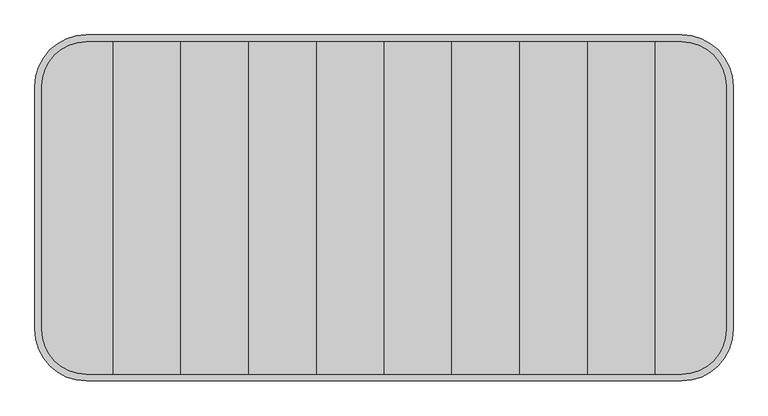
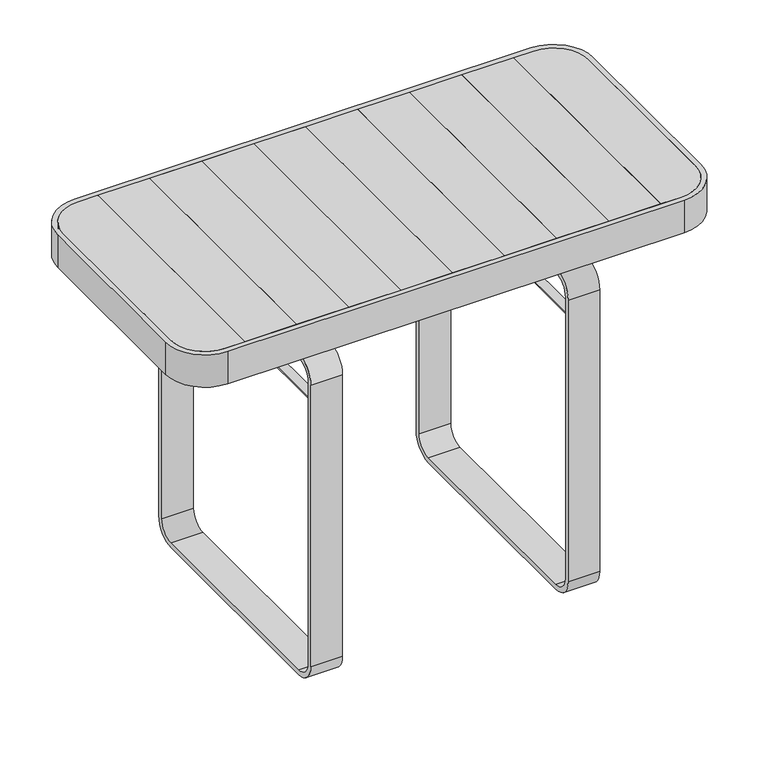
"""IFC4 building model written with IfcOpenShell, lengths in millimetres: furniture geometry."""

from ifc_helpers import new_model, si_unit, point, frame, frame_2d, origin, origin_with_axes, place, context, project, spatial, polyline, circle_curve, trimmed, segment, composite_curve, outline, extrude, source, transform, mapped, element, save
from ifc_brep_helpers import plane_surface, cylinder_surface, advanced_brep


def furniture_64894c4b(model_context):
    return source(origin(), model_context, "Body", "SolidModel", [
        extrude(outline(composite_curve([segment(polyline([(498.4574582, 177.0), (498.4574582, -177.0)]), True, "CONTINUOUS"), segment(trimmed(circle_curve(frame_2d((433.4574582, -177.0)), 65.0), [point((498.4574582, -177.0))], [point((433.4574582, -242.0))], False, "CARTESIAN"), True, "CONTINUOUS"), segment(polyline([(433.4574582, -242.0), (394.8, -242.0), (394.8, 242.0), (433.4574582, 242.0)]), True, "CONTINUOUS"), segment(trimmed(circle_curve(frame_2d((433.4574582, 177.0)), 65.0), [point((433.4574582, 242.0))], [point((498.4574582, 177.0))], False, "CARTESIAN"), True, "CONTINUOUS")], self_intersect=False)), frame((0.0, 0.0, 712.0), z_axis=(0.0, 0.0, 1.0), x_axis=(1.0, 0.0, 0.0)), (0.0, 0.0, 1.0), 28.0),
        extrude(outline(polyline([(296.1, -242.0), (197.4, -242.0), (197.4, 242.0), (296.1, 242.0), (296.1, -242.0)])), frame((0.0, 0.0, 712.0), z_axis=(0.0, 0.0, 1.0), x_axis=(1.0, 0.0, 0.0)), (0.0, 0.0, 1.0), 28.0),
        extrude(outline(polyline([(197.4, -242.0), (98.7, -242.0), (98.7, 242.0), (197.4, 242.0), (197.4, -242.0)])), frame((0.0, 0.0, 712.0), z_axis=(0.0, 0.0, 1.0), x_axis=(1.0, 0.0, 0.0)), (0.0, 0.0, 1.0), 28.0),
        extrude(outline(polyline([(98.7, -242.0), (0.0, -242.0), (0.0, 242.0), (98.7, 242.0), (98.7, -242.0)])), frame((0.0, 0.0, 712.0), z_axis=(0.0, 0.0, 1.0), x_axis=(1.0, 0.0, 0.0)), (0.0, 0.0, 1.0), 28.0),
        extrude(outline(polyline([(394.8, -242.0), (296.1, -242.0), (296.1, 242.0), (394.8, 242.0), (394.8, -242.0)])), frame((0.0, 0.0, 712.0), z_axis=(0.0, 0.0, 1.0), x_axis=(1.0, 0.0, 0.0)), (0.0, 0.0, 1.0), 28.0),
        extrude(outline(composite_curve([segment(trimmed(circle_curve(frame_2d((-433.4574582, 177.0)), 65.0), [point((-498.4574582, 177.0))], [point((-433.4574582, 242.0))], False, "CARTESIAN"), True, "CONTINUOUS"), segment(polyline([(-433.4574582, 242.0), (-394.8, 242.0), (-394.8, -242.0), (-433.4574582, -242.0)]), True, "CONTINUOUS"), segment(trimmed(circle_curve(frame_2d((-433.4574582, -177.0)), 65.0), [point((-433.4574582, -242.0))], [point((-498.4574582, -177.0))], False, "CARTESIAN"), True, "CONTINUOUS"), segment(polyline([(-498.4574582, -177.0), (-498.4574582, 177.0)]), True, "CONTINUOUS")], self_intersect=False)), frame((0.0, 0.0, 712.0), z_axis=(0.0, 0.0, 1.0), x_axis=(1.0, 0.0, 0.0)), (0.0, 0.0, 1.0), 28.0),
        extrude(outline(polyline([(-197.4, -242.0), (-296.1, -242.0), (-296.1, 242.0), (-197.4, 242.0), (-197.4, -242.0)])), frame((0.0, 0.0, 712.0), z_axis=(0.0, 0.0, 1.0), x_axis=(1.0, 0.0, 0.0)), (0.0, 0.0, 1.0), 28.0),
        extrude(outline(polyline([(-98.7, -242.0), (-197.4, -242.0), (-197.4, 242.0), (-98.7, 242.0), (-98.7, -242.0)])), frame((0.0, 0.0, 712.0), z_axis=(0.0, 0.0, 1.0), x_axis=(1.0, 0.0, 0.0)), (0.0, 0.0, 1.0), 28.0),
        extrude(outline(polyline([(0.0, -242.0), (-98.7, -242.0), (-98.7, 242.0), (0.0, 242.0), (0.0, -242.0)])), frame((0.0, 0.0, 712.0), z_axis=(0.0, 0.0, 1.0), x_axis=(1.0, 0.0, 0.0)), (0.0, 0.0, 1.0), 28.0),
        extrude(outline(polyline([(-296.1, -242.0), (-394.8, -242.0), (-394.8, 242.0), (-296.1, 242.0), (-296.1, -242.0)])), frame((0.0, 0.0, 712.0), z_axis=(0.0, 0.0, 1.0), x_axis=(1.0, 0.0, 0.0)), (0.0, 0.0, 1.0), 28.0),
        advanced_brep(
        [(-498.4574582, 177.0, 708.0), (-433.4574582, 242.0, 708.0), (433.4574582, 242.0, 708.0), (498.4574582, 177.0, 708.0), (498.4574582, -177.0, 708.0), (433.4574582, -242.0, 708.0), (-433.4574582, -242.0, 708.0), (-498.4574582, -177.0, 708.0), (-284.75, -142.0, 708.0), (-284.75, 142.0, 708.0), (-399.8, 141.9868511, 708.0), (-399.8, -142.0, 708.0), (-203.7333261, 142.0, 708.0), (-203.7333261, -142.0, 708.0), (203.7333261, -142.0, 708.0), (203.7333261, 142.0, 708.0), (399.8, 141.9868511, 708.0), (284.75, 141.9893576, 708.0), (284.75, -142.0, 708.0), (399.8, -142.0, 708.0), (-284.75, -142.0, 712.0), (-284.75, 142.0, 712.0), (-498.4574582, 177.0, 712.0), (-498.4574582, -177.0, 712.0), (-433.4574582, -242.0, 712.0), (433.4574582, -242.0, 712.0), (498.4574582, -177.0, 712.0), (498.4574582, 177.0, 712.0), (433.4574582, 242.0, 712.0), (-433.4574582, 242.0, 712.0), (-399.8, -142.0, 712.0), (-399.8, 141.9868511, 712.0), (-203.7333261, -142.0, 712.0), (-203.7333261, 142.0, 712.0), (203.7333261, 141.9911227, 712.0), (203.7333261, -142.0, 712.0), (399.8, -142.0, 712.0), (284.75, -142.0, 712.0), (284.75, 142.0, 712.0), (399.8, 141.9868511, 712.0)],
        [
            (0, 1, circle_curve(frame((-433.4574582, 177.0, 708.0), z_axis=(0.0, 0.0, -1.0), x_axis=(1.0, 0.0, 0.0)), 65.0)),
            (1, 2),
            (2, 3, circle_curve(frame((433.4574582, 177.0, 708.0), z_axis=(0.0, 0.0, -1.0), x_axis=(-1.0, 0.0, 0.0)), 65.0)),
            (3, 4),
            (4, 5, circle_curve(frame((433.4574582, -177.0, 708.0), z_axis=(0.0, 0.0, -1.0), x_axis=(-1.0, 0.0, 0.0)), 65.0)),
            (5, 6),
            (6, 7, circle_curve(frame((-433.4574582, -177.0, 708.0), z_axis=(0.0, 0.0, -1.0), x_axis=(1.0, 0.0, 0.0)), 65.0)),
            (7, 0),
            (8, 9),
            (9, 10),
            (10, 11),
            (11, 8),
            (12, 13),
            (13, 14),
            (14, 15),
            (15, 12),
            (16, 17),
            (17, 18),
            (18, 19),
            (19, 16),
            (8, 20),
            (20, 21),
            (21, 9),
            (22, 23),
            (23, 24, circle_curve(frame((-433.4574582, -177.0, 712.0), z_axis=(0.0, 0.0, 1.0), x_axis=(1.0, 0.0, 0.0)), 65.0)),
            (24, 25),
            (25, 26, circle_curve(frame((433.4574582, -177.0, 712.0), z_axis=(0.0, 0.0, 1.0), x_axis=(-1.0, 0.0, 0.0)), 65.0)),
            (26, 27),
            (27, 28, circle_curve(frame((433.4574582, 177.0, 712.0), z_axis=(0.0, 0.0, 1.0), x_axis=(-1.0, 0.0, 0.0)), 65.0)),
            (28, 29),
            (29, 22, circle_curve(frame((-433.4574582, 177.0, 712.0), z_axis=(0.0, 0.0, 1.0), x_axis=(1.0, 0.0, 0.0)), 65.0)),
            (20, 30),
            (30, 31),
            (31, 21),
            (32, 33),
            (33, 34),
            (34, 35),
            (35, 32),
            (36, 37),
            (37, 38),
            (38, 39),
            (39, 36),
            (12, 33),
            (32, 13),
            (22, 0),
            (7, 23),
            (6, 24),
            (5, 25),
            (4, 26),
            (3, 27),
            (2, 28),
            (1, 29),
            (15, 34),
            (31, 10),
            (16, 39),
            (38, 17),
            (19, 36),
            (35, 14),
            (18, 37),
            (11, 30),
        ],
        [
            plane_surface(frame((-284.75, -142.0, 708.0), z_axis=(0.0, 0.0, -1.0), x_axis=(0.0, 1.0, 0.0))),
            plane_surface(frame((-284.75, -142.0, 712.0), z_axis=(-1.0, 0.0, 0.0), x_axis=(0.0, 1.0, 0.0))),
            plane_surface(frame((-203.7333261, -142.0, 712.0), z_axis=(0.0, 0.0, 1.0), x_axis=(0.0, 1.0, 0.0))),
            plane_surface(frame((-203.7333261, -142.0, 708.0), z_axis=(1.0, 0.0, 0.0), x_axis=(0.0, 1.0, 0.0))),
            plane_surface(frame((-498.4574582, 177.0, 712.0), z_axis=(-1.0, 0.0, 0.0), x_axis=(0.0, 0.0, -1.0))),
            cylinder_surface(frame((-433.4574582, -177.0, 708.0), z_axis=(0.0, 0.0, 1.0), x_axis=(1.0, 0.0, 0.0)), 65.0),
            plane_surface(frame((-433.4574582, -242.0, 712.0), z_axis=(0.0, -1.0, 0.0), x_axis=(0.0, 0.0, -1.0))),
            cylinder_surface(frame((433.4574582, -177.0, 708.0), z_axis=(0.0, 0.0, 1.0), x_axis=(-1.0, 0.0, 0.0)), 65.0),
            plane_surface(frame((498.4574582, -177.0, 712.0), z_axis=(1.0, 0.0, 0.0), x_axis=(0.0, 0.0, -1.0))),
            cylinder_surface(frame((433.4574582, 177.0, 708.0), z_axis=(0.0, 0.0, 1.0), x_axis=(-1.0, 0.0, 0.0)), 65.0),
            plane_surface(frame((433.4574582, 242.0, 712.0), z_axis=(0.0, 1.0, 0.0), x_axis=(0.0, 0.0, -1.0))),
            cylinder_surface(frame((-433.4574582, 177.0, 708.0), z_axis=(0.0, 0.0, 1.0), x_axis=(1.0, 0.0, 0.0)), 65.0),
            plane_surface(frame((-399.8, 141.9868511, 712.0), z_axis=(0.0, -1.0, 0.0), x_axis=(0.0, 0.0, -1.0))),
            plane_surface(frame((399.8, 141.9868511, 712.0), z_axis=(-1.0, 0.0, 0.0), x_axis=(0.0, 0.0, -1.0))),
            plane_surface(frame((399.8, -142.0, 712.0), z_axis=(0.0, 1.0, 0.0), x_axis=(0.0, 0.0, -1.0))),
            plane_surface(frame((-399.8, -142.0, 712.0), z_axis=(1.0, 0.0, 0.0), x_axis=(0.0, 0.0, -1.0))),
            plane_surface(frame((284.75, -142.0, 708.0), z_axis=(1.0, 0.0, 0.0), x_axis=(0.0, 1.0, 0.0))),
            plane_surface(frame((203.7333261, -142.0, 712.0), z_axis=(-1.0, 0.0, 0.0), x_axis=(0.0, 1.0, 0.0))),
        ],
        [
            (0, [[1, 2, 3, 4, 5, 6, 7, 8], [9, 10, 11, 12], [13, 14, 15, 16], [17, 18, 19, 20]]),
            (1, [[-9, 21, 22, 23]]),
            (2, [[24, 25, 26, 27, 28, 29, 30, 31], [-22, 32, 33, 34], [35, 36, 37, 38], [39, 40, 41, 42]]),
            (3, [[-13, 43, -35, 44]]),
            (4, [[-24, 45, -8, 46]]),
            (5, [[-25, -46, -7, 47]]),
            (6, [[-26, -47, -6, 48]]),
            (7, [[-27, -48, -5, 49]]),
            (8, [[-28, -49, -4, 50]]),
            (9, [[-29, -50, -3, 51]]),
            (10, [[-30, -51, -2, 52]]),
            (11, [[-31, -52, -1, -45]]),
            (12, [[-43, -16, 53, -36]]),
            (12, [[54, -10, -23, -34]]),
            (12, [[55, -41, 56, -17]]),
            (13, [[-42, -55, -20, 57]]),
            (14, [[-44, -38, 58, -14]]),
            (14, [[-57, -19, 59, -39]]),
            (14, [[60, -32, -21, -12]]),
            (15, [[-33, -60, -11, -54]]),
            (16, [[-18, -56, -40, -59]]),
            (17, [[-15, -58, -37, -53]]),
        ],
    ),
        extrude(outline(composite_curve([segment(polyline([(250.0000534, 614.9997207), (250.0000534, 49.9997207)]), True, "CONTINUOUS"), segment(trimmed(circle_curve(frame_2d((210.0000534, 49.9997207)), 40.0), [point((250.0000534, 49.9997207))], [point((210.0000534, 9.9997207))], False, "CARTESIAN"), True, "CONTINUOUS"), segment(polyline([(210.0000534, 9.9997207), (-210.0000534, 9.9997207)]), True, "CONTINUOUS"), segment(trimmed(circle_curve(frame_2d((-210.0000534, 49.9997207)), 40.0), [point((-210.0000534, 9.9997207))], [point((-250.0000534, 49.9997207))], False, "CARTESIAN"), True, "CONTINUOUS"), segment(polyline([(-250.0000534, 49.9997207), (-250.0000534, 614.9997207)]), True, "CONTINUOUS"), segment(trimmed(circle_curve(frame_2d((-210.0000534, 614.9997207)), 40.0), [point((-250.0000534, 614.9997207))], [point((-210.0000534, 654.9997207))], False, "CARTESIAN"), True, "CONTINUOUS"), segment(polyline([(-210.0000534, 654.9997207), (-117.9984649, 654.9997207), (-117.9984649, 708.0), (117.9984649, 708.0), (117.9984649, 654.9997207), (210.0000534, 654.9997207)]), True, "CONTINUOUS"), segment(trimmed(circle_curve(frame_2d((210.0000534, 614.9997207)), 40.0), [point((210.0000534, 654.9997207))], [point((250.0000534, 614.9997207))], False, "CARTESIAN"), True, "CONTINUOUS")], self_intersect=False), holes=[composite_curve([segment(polyline([(-240.0000534, 614.9997207), (-240.0000534, 49.9997207)]), True, "CONTINUOUS"), segment(trimmed(circle_curve(frame_2d((-210.0000534, 49.9997207)), 30.0), [point((-240.0000534, 49.9997207))], [point((-210.0000534, 19.9997207))], True, "CARTESIAN"), True, "CONTINUOUS"), segment(polyline([(-210.0000534, 19.9997207), (210.0000534, 19.9997207)]), True, "CONTINUOUS"), segment(trimmed(circle_curve(frame_2d((210.0000534, 49.9997207)), 30.0), [point((210.0000534, 19.9997207))], [point((240.0000534, 49.9997207))], True, "CARTESIAN"), True, "CONTINUOUS"), segment(polyline([(240.0000534, 49.9997207), (240.0000534, 614.9997207)]), True, "CONTINUOUS"), segment(trimmed(circle_curve(frame_2d((210.0000534, 614.9997207)), 30.0), [point((240.0000534, 614.9997207))], [point((210.0000534, 644.9997207))], True, "CARTESIAN"), True, "CONTINUOUS"), segment(polyline([(210.0000534, 644.9997207), (-210.0000534, 644.9997207)]), True, "CONTINUOUS"), segment(trimmed(circle_curve(frame_2d((-210.0000534, 614.9997207)), 30.0), [point((-210.0000534, 644.9997207))], [point((-240.0000534, 614.9997207))], True, "CARTESIAN"), True, "CONTINUOUS")], self_intersect=False), polyline([(-112.9984649, 654.9997207), (112.9984649, 654.9997207), (112.9984649, 703.0), (-112.9984649, 703.0), (-112.9984649, 654.9997207)])]), frame((214.2500379, 0.0, 0.0), z_axis=(1.0, 0.0, 0.0), x_axis=(0.0, 1.0, 0.0)), (0.0, 0.0, 1.0), 60.0),
        extrude(outline(composite_curve([segment(polyline([(250.0000534, 614.9997207), (250.0000534, 49.9997207)]), True, "CONTINUOUS"), segment(trimmed(circle_curve(frame_2d((210.0000534, 49.9997207)), 40.0), [point((250.0000534, 49.9997207))], [point((210.0000534, 9.9997207))], False, "CARTESIAN"), True, "CONTINUOUS"), segment(polyline([(210.0000534, 9.9997207), (-210.0000534, 9.9997207)]), True, "CONTINUOUS"), segment(trimmed(circle_curve(frame_2d((-210.0000534, 49.9997207)), 40.0), [point((-210.0000534, 9.9997207))], [point((-250.0000534, 49.9997207))], False, "CARTESIAN"), True, "CONTINUOUS"), segment(polyline([(-250.0000534, 49.9997207), (-250.0000534, 614.9997207)]), True, "CONTINUOUS"), segment(trimmed(circle_curve(frame_2d((-210.0000534, 614.9997207)), 40.0), [point((-250.0000534, 614.9997207))], [point((-210.0000534, 654.9997207))], False, "CARTESIAN"), True, "CONTINUOUS"), segment(polyline([(-210.0000534, 654.9997207), (-117.9984649, 654.9997207), (-117.9984649, 708.0), (117.9984649, 708.0), (117.9984649, 654.9997207), (210.0000534, 654.9997207)]), True, "CONTINUOUS"), segment(trimmed(circle_curve(frame_2d((210.0000534, 614.9997207)), 40.0), [point((210.0000534, 654.9997207))], [point((250.0000534, 614.9997207))], False, "CARTESIAN"), True, "CONTINUOUS")], self_intersect=False), holes=[composite_curve([segment(polyline([(-240.0000534, 614.9997207), (-240.0000534, 49.9997207)]), True, "CONTINUOUS"), segment(trimmed(circle_curve(frame_2d((-210.0000534, 49.9997207)), 30.0), [point((-240.0000534, 49.9997207))], [point((-210.0000534, 19.9997207))], True, "CARTESIAN"), True, "CONTINUOUS"), segment(polyline([(-210.0000534, 19.9997207), (210.0000534, 19.9997207)]), True, "CONTINUOUS"), segment(trimmed(circle_curve(frame_2d((210.0000534, 49.9997207)), 30.0), [point((210.0000534, 19.9997207))], [point((240.0000534, 49.9997207))], True, "CARTESIAN"), True, "CONTINUOUS"), segment(polyline([(240.0000534, 49.9997207), (240.0000534, 614.9997207)]), True, "CONTINUOUS"), segment(trimmed(circle_curve(frame_2d((210.0000534, 614.9997207)), 30.0), [point((240.0000534, 614.9997207))], [point((210.0000534, 644.9997207))], True, "CARTESIAN"), True, "CONTINUOUS"), segment(polyline([(210.0000534, 644.9997207), (-210.0000534, 644.9997207)]), True, "CONTINUOUS"), segment(trimmed(circle_curve(frame_2d((-210.0000534, 614.9997207)), 30.0), [point((-210.0000534, 644.9997207))], [point((-240.0000534, 614.9997207))], True, "CARTESIAN"), True, "CONTINUOUS")], self_intersect=False), polyline([(-112.9984649, 654.9997207), (112.9984649, 654.9997207), (112.9984649, 703.0), (-112.9984649, 703.0), (-112.9984649, 654.9997207)])]), frame((-274.2500379, 0.0, 0.0), z_axis=(1.0, 0.0, 0.0), x_axis=(0.0, 1.0, 0.0)), (0.0, 0.0, 1.0), 60.0),
        extrude(outline(composite_curve([segment(trimmed(circle_curve(frame_2d((554.9849499, -244.2069785)), 8.0), [point((554.9849499, -252.2069785))], [point((554.9849499, -236.2069785))], False, "CARTESIAN"), True, "CONTINUOUS"), segment(trimmed(circle_curve(frame_2d((554.9849499, -244.2069785)), 8.0), [point((554.9849499, -236.2069785))], [point((554.9849499, -252.2069785))], False, "CARTESIAN"), True, "CONTINUOUS")], self_intersect=False)), frame((0.0, -240.0000534, 0.0), z_axis=(0.0, 1.0, 0.0), x_axis=(0.0, 0.0, 1.0)), (0.0, 0.0, 1.0), 480.0001069),
        extrude(outline(composite_curve([segment(trimmed(circle_curve(frame_2d((554.9849499, 244.2069785)), 8.0), [point((554.9849499, 252.2069785))], [point((554.9849499, 236.2069785))], False, "CARTESIAN"), True, "CONTINUOUS"), segment(trimmed(circle_curve(frame_2d((554.9849499, 244.2069785)), 8.0), [point((554.9849499, 236.2069785))], [point((554.9849499, 252.2069785))], False, "CARTESIAN"), True, "CONTINUOUS")], self_intersect=False)), frame((0.0, -240.0000534, 0.0), z_axis=(0.0, 1.0, 0.0), x_axis=(0.0, 0.0, 1.0)), (0.0, 0.0, 1.0), 480.0001069),
        extrude(outline(composite_curve([segment(polyline([(508.4574582, 177.0), (508.4574582, -177.0)]), True, "CONTINUOUS"), segment(trimmed(circle_curve(frame_2d((433.4574582, -177.0)), 75.0), [point((508.4574582, -177.0))], [point((433.4574582, -252.0))], False, "CARTESIAN"), True, "CONTINUOUS"), segment(polyline([(433.4574582, -252.0), (-433.4574582, -252.0)]), True, "CONTINUOUS"), segment(trimmed(circle_curve(frame_2d((-433.4574582, -177.0)), 75.0), [point((-433.4574582, -252.0))], [point((-508.4574582, -177.0))], False, "CARTESIAN"), True, "CONTINUOUS"), segment(polyline([(-508.4574582, -177.0), (-508.4574582, 177.0)]), True, "CONTINUOUS"), segment(trimmed(circle_curve(frame_2d((-433.4574582, 177.0)), 75.0), [point((-508.4574582, 177.0))], [point((-433.4574582, 252.0))], False, "CARTESIAN"), True, "CONTINUOUS"), segment(polyline([(-433.4574582, 252.0), (433.4574582, 252.0)]), True, "CONTINUOUS"), segment(trimmed(circle_curve(frame_2d((433.4574582, 177.0)), 75.0), [point((433.4574582, 252.0))], [point((508.4574582, 177.0))], False, "CARTESIAN"), True, "CONTINUOUS")], self_intersect=False), holes=[composite_curve([segment(trimmed(circle_curve(frame_2d((-433.4574582, 177.0)), 65.0), [point((-433.4574582, 242.0))], [point((-498.4574582, 177.0))], True, "CARTESIAN"), True, "CONTINUOUS"), segment(polyline([(-498.4574582, 177.0), (-498.4574582, -177.0)]), True, "CONTINUOUS"), segment(trimmed(circle_curve(frame_2d((-433.4574582, -177.0)), 65.0), [point((-498.4574582, -177.0))], [point((-433.4574582, -242.0))], True, "CARTESIAN"), True, "CONTINUOUS"), segment(polyline([(-433.4574582, -242.0), (433.4574582, -242.0)]), True, "CONTINUOUS"), segment(trimmed(circle_curve(frame_2d((433.4574582, -177.0)), 65.0), [point((433.4574582, -242.0))], [point((498.4574582, -177.0))], True, "CARTESIAN"), True, "CONTINUOUS"), segment(polyline([(498.4574582, -177.0), (498.4574582, 177.0)]), True, "CONTINUOUS"), segment(trimmed(circle_curve(frame_2d((433.4574582, 177.0)), 65.0), [point((498.4574582, 177.0))], [point((433.4574582, 242.0))], True, "CARTESIAN"), True, "CONTINUOUS"), segment(polyline([(433.4574582, 242.0), (-433.4574582, 242.0)]), True, "CONTINUOUS")], self_intersect=False)]), frame((0.0, 0.0, 675.0000413), z_axis=(0.0, 0.0, 1.0), x_axis=(1.0, 0.0, 0.0)), (0.0, 0.0, 1.0), 64.9999587),
        extrude(outline(composite_curve([segment(trimmed(circle_curve(frame_2d((-244.2214692, -190.018381)), 15.0), [point((-259.2214692, -190.018381))], [point((-229.2214692, -190.018381))], False, "CARTESIAN"), True, "CONTINUOUS"), segment(trimmed(circle_curve(frame_2d((-244.2214692, -190.018381)), 15.0), [point((-229.2214692, -190.018381))], [point((-259.2214692, -190.018381))], False, "CARTESIAN"), True, "CONTINUOUS")], self_intersect=False)), origin_with_axes(), (0.0, 0.0, 1.0), 10.0),
        extrude(outline(composite_curve([segment(trimmed(circle_curve(frame_2d((-244.2214692, 190.018381)), 15.0), [point((-259.2214692, 190.018381))], [point((-229.2214692, 190.018381))], False, "CARTESIAN"), True, "CONTINUOUS"), segment(trimmed(circle_curve(frame_2d((-244.2214692, 190.018381)), 15.0), [point((-229.2214692, 190.018381))], [point((-259.2214692, 190.018381))], False, "CARTESIAN"), True, "CONTINUOUS")], self_intersect=False)), origin_with_axes(), (0.0, 0.0, 1.0), 10.0),
        extrude(outline(composite_curve([segment(trimmed(circle_curve(frame_2d((244.2214692, -190.018381)), 15.0), [point((259.2214692, -190.018381))], [point((229.2214692, -190.018381))], False, "CARTESIAN"), True, "CONTINUOUS"), segment(trimmed(circle_curve(frame_2d((244.2214692, -190.018381)), 15.0), [point((229.2214692, -190.018381))], [point((259.2214692, -190.018381))], False, "CARTESIAN"), True, "CONTINUOUS")], self_intersect=False)), origin_with_axes(), (0.0, 0.0, 1.0), 10.0),
        extrude(outline(composite_curve([segment(trimmed(circle_curve(frame_2d((244.2214692, 190.018381)), 15.0), [point((259.2214692, 190.018381))], [point((229.2214692, 190.018381))], False, "CARTESIAN"), True, "CONTINUOUS"), segment(trimmed(circle_curve(frame_2d((244.2214692, 190.018381)), 15.0), [point((229.2214692, 190.018381))], [point((259.2214692, 190.018381))], False, "CARTESIAN"), True, "CONTINUOUS")], self_intersect=False)), origin_with_axes(), (0.0, 0.0, 1.0), 10.0),
    ])


if __name__ == "__main__":
    model = new_model("IFC4")
    model_context = context("Model", 3, world=origin())
    ifc_project = project(units=[si_unit("LENGTHUNIT", "METRE", prefix="MILLI")], contexts=[model_context])
    site = spatial("IfcSite", under=ifc_project)
    building = spatial("IfcBuilding", under=site)
    placement = place(None, origin())
    furniture_shape = furniture_64894c4b(model_context)
    element("IfcFurniture", 1, at=placement, inside=building, context=model_context, shape_type="MappedRepresentation", body=[
        mapped(furniture_shape, transform((0.0, 0.0, 0.0), x_axis=(1.0, 0.0, 0.0), y_axis=(0.0, 1.0, 0.0), z_axis=(0.0, 0.0, 1.0))),
    ])
    save(model, "model.ifc")
